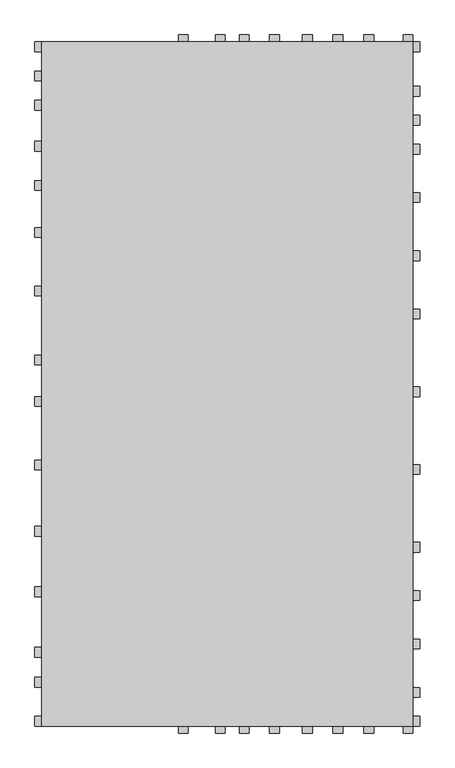
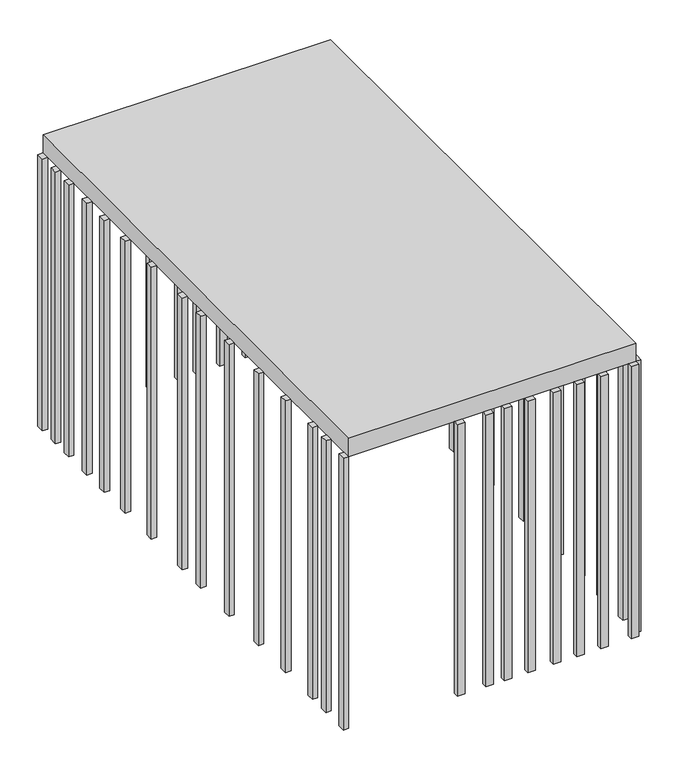
"""IFC4 building model written with IfcOpenShell, lengths in millimetres: proxy geometry."""

from ifc_helpers import new_model, si_unit, frame, origin, origin_with_axes, place, context, project, spatial, polyline, outline, extrude, source, transform, mapped, element, save


def generic_models_a09305eb(model_context):
    return source(origin(), model_context, "Body", "SweptSolid", [
        extrude(outline(polyline([(-3870.0, 0.0), (-3870.0, 100.0), (-3800.0, 100.0), (-3800.0, 0.0), (-3870.0, 0.0)])), frame((0.0, 0.0, -3800.0), z_axis=(0.0, 0.0, 1.0), x_axis=(1.0, 0.0, 0.0)), (0.0, 0.0, 1.0), 3800.0),
        extrude(outline(polyline([(-3870.0, 400.0), (-3870.0, 500.0), (-3800.0, 500.0), (-3800.0, 400.0), (-3870.0, 400.0)])), frame((0.0, 0.0, -3800.0), z_axis=(0.0, 0.0, 1.0), x_axis=(1.0, 0.0, 0.0)), (0.0, 0.0, 1.0), 3800.0),
        extrude(outline(polyline([(-3870.0, 706.7102779), (-3870.0, 806.7102779), (-3800.0, 806.7102779), (-3800.0, 706.7102779), (-3870.0, 706.7102779)])), frame((0.0, 0.0, -3800.0), z_axis=(0.0, 0.0, 1.0), x_axis=(1.0, 0.0, 0.0)), (0.0, 0.0, 1.0), 3800.0),
        extrude(outline(polyline([(-3870.0, 1323.8206399), (-3870.0, 1423.8206399), (-3800.0, 1423.8206399), (-3800.0, 1323.8206399), (-3870.0, 1323.8206399)])), frame((0.0, 0.0, -3800.0), z_axis=(0.0, 0.0, 1.0), x_axis=(1.0, 0.0, 0.0)), (0.0, 0.0, 1.0), 3800.0),
        extrude(outline(polyline([(-3870.0, 1944.2979319), (-3870.0, 2044.2979319), (-3800.0, 2044.2979319), (-3800.0, 1944.2979319), (-3870.0, 1944.2979319)])), frame((0.0, 0.0, -3800.0), z_axis=(0.0, 0.0, 1.0), x_axis=(1.0, 0.0, 0.0)), (0.0, 0.0, 1.0), 3800.0),
        extrude(outline(polyline([(-3870.0, 2621.3422955), (-3870.0, 2721.3422955), (-3800.0, 2721.3422955), (-3800.0, 2621.3422955), (-3870.0, 2621.3422955)])), frame((0.0, 0.0, -3800.0), z_axis=(0.0, 0.0, 1.0), x_axis=(1.0, 0.0, 0.0)), (0.0, 0.0, 1.0), 3800.0),
        extrude(outline(polyline([(-3870.0, 3271.2), (-3870.0, 3371.2), (-3800.0, 3371.2), (-3800.0, 3271.2), (-3870.0, 3271.2)])), frame((0.0, 0.0, -3800.0), z_axis=(0.0, 0.0, 1.0), x_axis=(1.0, 0.0, 0.0)), (0.0, 0.0, 1.0), 3800.0),
        extrude(outline(polyline([(-3870.0, 3694.9391531), (-3870.0, 3794.9391531), (-3800.0, 3794.9391531), (-3800.0, 3694.9391531), (-3870.0, 3694.9391531)])), frame((0.0, 0.0, -3800.0), z_axis=(0.0, 0.0, 1.0), x_axis=(1.0, 0.0, 0.0)), (0.0, 0.0, 1.0), 3800.0),
        extrude(outline(polyline([(-3870.0, 4400.0), (-3870.0, 4500.0), (-3800.0, 4500.0), (-3800.0, 4400.0), (-3870.0, 4400.0)])), frame((0.0, 0.0, -3800.0), z_axis=(0.0, 0.0, 1.0), x_axis=(1.0, 0.0, 0.0)), (0.0, 0.0, 1.0), 3800.0),
        extrude(outline(polyline([(-3870.0, 5000.0), (-3870.0, 5100.0), (-3800.0, 5100.0), (-3800.0, 5000.0), (-3870.0, 5000.0)])), frame((0.0, 0.0, -3800.0), z_axis=(0.0, 0.0, 1.0), x_axis=(1.0, 0.0, 0.0)), (0.0, 0.0, 1.0), 3800.0),
        extrude(outline(polyline([(-3870.0, 5480.0), (-3870.0, 5580.0), (-3800.0, 5580.0), (-3800.0, 5480.0), (-3870.0, 5480.0)])), frame((0.0, 0.0, -3800.0), z_axis=(0.0, 0.0, 1.0), x_axis=(1.0, 0.0, 0.0)), (0.0, 0.0, 1.0), 3800.0),
        extrude(outline(polyline([(-3870.0, 5880.0), (-3870.0, 5980.0), (-3800.0, 5980.0), (-3800.0, 5880.0), (-3870.0, 5880.0)])), frame((0.0, 0.0, -3800.0), z_axis=(0.0, 0.0, 1.0), x_axis=(1.0, 0.0, 0.0)), (0.0, 0.0, 1.0), 3800.0),
        extrude(outline(polyline([(-3870.0, 6300.0), (-3870.0, 6400.0), (-3800.0, 6400.0), (-3800.0, 6300.0), (-3870.0, 6300.0)])), frame((0.0, 0.0, -3800.0), z_axis=(0.0, 0.0, 1.0), x_axis=(1.0, 0.0, 0.0)), (0.0, 0.0, 1.0), 3800.0),
        extrude(outline(polyline([(-3870.0, 6600.0), (-3870.0, 6700.0), (-3800.0, 6700.0), (-3800.0, 6600.0), (-3870.0, 6600.0)])), frame((0.0, 0.0, -3800.0), z_axis=(0.0, 0.0, 1.0), x_axis=(1.0, 0.0, 0.0)), (0.0, 0.0, 1.0), 3800.0),
        extrude(outline(polyline([(-3870.0, 6900.0), (-3870.0, 7000.0), (-3800.0, 7000.0), (-3800.0, 6900.0), (-3870.0, 6900.0)])), frame((0.0, 0.0, -3800.0), z_axis=(0.0, 0.0, 1.0), x_axis=(1.0, 0.0, 0.0)), (0.0, 0.0, 1.0), 3800.0),
        extrude(outline(polyline([(-2400.0, 0.0), (-2300.0, 0.0), (-2300.0, -70.0), (-2400.0, -70.0), (-2400.0, 0.0)])), frame((0.0, 0.0, -3800.0), z_axis=(0.0, 0.0, 1.0), x_axis=(1.0, 0.0, 0.0)), (0.0, 0.0, 1.0), 3800.0),
        extrude(outline(polyline([(-2020.7203316, 0.0), (-1920.7203316, 0.0), (-1920.7203316, -70.0), (-2020.7203316, -70.0), (-2020.7203316, 0.0)])), frame((0.0, 0.0, -3800.0), z_axis=(0.0, 0.0, 1.0), x_axis=(1.0, 0.0, 0.0)), (0.0, 0.0, 1.0), 3800.0),
        extrude(outline(polyline([(-100.0, 0.0), (0.0, 0.0), (0.0, -70.0), (-100.0, -70.0), (-100.0, 0.0)])), frame((0.0, 0.0, -3800.0), z_axis=(0.0, 0.0, 1.0), x_axis=(1.0, 0.0, 0.0)), (0.0, 0.0, 1.0), 3800.0),
        extrude(outline(polyline([(-500.2767301, 0.0), (-400.2767301, 0.0), (-400.2767301, -70.0), (-500.2767301, -70.0), (-500.2767301, 0.0)])), frame((0.0, 0.0, -3800.0), z_axis=(0.0, 0.0, 1.0), x_axis=(1.0, 0.0, 0.0)), (0.0, 0.0, 1.0), 3800.0),
        extrude(outline(polyline([(-1777.1656023, 0.0), (-1677.1656023, 0.0), (-1677.1656023, -70.0), (-1777.1656023, -70.0), (-1777.1656023, 0.0)])), frame((0.0, 0.0, -3800.0), z_axis=(0.0, 0.0, 1.0), x_axis=(1.0, 0.0, 0.0)), (0.0, 0.0, 1.0), 3800.0),
        extrude(outline(polyline([(-1467.4018203, 0.0), (-1367.4018203, 0.0), (-1367.4018203, -70.0), (-1467.4018203, -70.0), (-1467.4018203, 0.0)])), frame((0.0, 0.0, -3800.0), z_axis=(0.0, 0.0, 1.0), x_axis=(1.0, 0.0, 0.0)), (0.0, 0.0, 1.0), 3800.0),
        extrude(outline(polyline([(-1129.2627301, 0.0), (-1029.2627301, 0.0), (-1029.2627301, -70.0), (-1129.2627301, -70.0), (-1129.2627301, 0.0)])), frame((0.0, 0.0, -3800.0), z_axis=(0.0, 0.0, 1.0), x_axis=(1.0, 0.0, 0.0)), (0.0, 0.0, 1.0), 3800.0),
        extrude(outline(polyline([(-818.5582557, 0.0), (-718.5582557, 0.0), (-718.5582557, -70.0), (-818.5582557, -70.0), (-818.5582557, 0.0)])), frame((0.0, 0.0, -3800.0), z_axis=(0.0, 0.0, 1.0), x_axis=(1.0, 0.0, 0.0)), (0.0, 0.0, 1.0), 3800.0),
        extrude(outline(polyline([(-2400.0, 7070.0), (-2300.0, 7070.0), (-2300.0, 7000.0), (-2400.0, 7000.0), (-2400.0, 7070.0)])), frame((0.0, 0.0, -3800.0), z_axis=(0.0, 0.0, 1.0), x_axis=(1.0, 0.0, 0.0)), (0.0, 0.0, 1.0), 3800.0),
        extrude(outline(polyline([(-2020.7203316, 7070.0), (-1920.7203316, 7070.0), (-1920.7203316, 7000.0), (-2020.7203316, 7000.0), (-2020.7203316, 7070.0)])), frame((0.0, 0.0, -3800.0), z_axis=(0.0, 0.0, 1.0), x_axis=(1.0, 0.0, 0.0)), (0.0, 0.0, 1.0), 3800.0),
        extrude(outline(polyline([(-100.0, 7070.0), (0.0, 7070.0), (0.0, 7000.0), (-100.0, 7000.0), (-100.0, 7070.0)])), frame((0.0, 0.0, -3800.0), z_axis=(0.0, 0.0, 1.0), x_axis=(1.0, 0.0, 0.0)), (0.0, 0.0, 1.0), 3800.0),
        extrude(outline(polyline([(-500.2767301, 7070.0), (-400.2767301, 7070.0), (-400.2767301, 7000.0), (-500.2767301, 7000.0), (-500.2767301, 7070.0)])), frame((0.0, 0.0, -3800.0), z_axis=(0.0, 0.0, 1.0), x_axis=(1.0, 0.0, 0.0)), (0.0, 0.0, 1.0), 3800.0),
        extrude(outline(polyline([(-1777.1656023, 7070.0), (-1677.1656023, 7070.0), (-1677.1656023, 7000.0), (-1777.1656023, 7000.0), (-1777.1656023, 7070.0)])), frame((0.0, 0.0, -3800.0), z_axis=(0.0, 0.0, 1.0), x_axis=(1.0, 0.0, 0.0)), (0.0, 0.0, 1.0), 3800.0),
        extrude(outline(polyline([(-1467.4018203, 7070.0), (-1367.4018203, 7070.0), (-1367.4018203, 7000.0), (-1467.4018203, 7000.0), (-1467.4018203, 7070.0)])), frame((0.0, 0.0, -3800.0), z_axis=(0.0, 0.0, 1.0), x_axis=(1.0, 0.0, 0.0)), (0.0, 0.0, 1.0), 3800.0),
        extrude(outline(polyline([(-1129.2627301, 7070.0), (-1029.2627301, 7070.0), (-1029.2627301, 7000.0), (-1129.2627301, 7000.0), (-1129.2627301, 7070.0)])), frame((0.0, 0.0, -3800.0), z_axis=(0.0, 0.0, 1.0), x_axis=(1.0, 0.0, 0.0)), (0.0, 0.0, 1.0), 3800.0),
        extrude(outline(polyline([(-818.5582557, 7070.0), (-718.5582557, 7070.0), (-718.5582557, 7000.0), (-818.5582557, 7000.0), (-818.5582557, 7070.0)])), frame((0.0, 0.0, -3800.0), z_axis=(0.0, 0.0, 1.0), x_axis=(1.0, 0.0, 0.0)), (0.0, 0.0, 1.0), 3800.0),
        extrude(outline(polyline([(70.0, 7000.0), (70.0, 6900.0), (0.0, 6900.0), (0.0, 7000.0), (70.0, 7000.0)])), frame((0.0, 0.0, -3800.0), z_axis=(0.0, 0.0, 1.0), x_axis=(1.0, 0.0, 0.0)), (0.0, 0.0, 1.0), 3800.0),
        extrude(outline(polyline([(70.0, 6542.4), (70.0, 6442.4), (0.0, 6442.4), (0.0, 6542.4), (70.0, 6542.4)])), frame((0.0, 0.0, -3800.0), z_axis=(0.0, 0.0, 1.0), x_axis=(1.0, 0.0, 0.0)), (0.0, 0.0, 1.0), 3800.0),
        extrude(outline(polyline([(70.0, 6247.2), (70.0, 6147.2), (0.0, 6147.2), (0.0, 6247.2), (70.0, 6247.2)])), frame((0.0, 0.0, -3800.0), z_axis=(0.0, 0.0, 1.0), x_axis=(1.0, 0.0, 0.0)), (0.0, 0.0, 1.0), 3800.0),
        extrude(outline(polyline([(70.0, 5952.0), (70.0, 5852.0), (0.0, 5852.0), (0.0, 5952.0), (70.0, 5952.0)])), frame((0.0, 0.0, -3800.0), z_axis=(0.0, 0.0, 1.0), x_axis=(1.0, 0.0, 0.0)), (0.0, 0.0, 1.0), 3800.0),
        extrude(outline(polyline([(70.0, 5456.8), (70.0, 5356.8), (0.0, 5356.8), (0.0, 5456.8), (70.0, 5456.8)])), frame((0.0, 0.0, -3800.0), z_axis=(0.0, 0.0, 1.0), x_axis=(1.0, 0.0, 0.0)), (0.0, 0.0, 1.0), 3800.0),
        extrude(outline(polyline([(70.0, 4861.6), (70.0, 4761.6), (0.0, 4761.6), (0.0, 4861.6), (70.0, 4861.6)])), frame((0.0, 0.0, -3800.0), z_axis=(0.0, 0.0, 1.0), x_axis=(1.0, 0.0, 0.0)), (0.0, 0.0, 1.0), 3800.0),
        extrude(outline(polyline([(70.0, 4266.4), (70.0, 4166.4), (0.0, 4166.4), (0.0, 4266.4), (70.0, 4266.4)])), frame((0.0, 0.0, -3800.0), z_axis=(0.0, 0.0, 1.0), x_axis=(1.0, 0.0, 0.0)), (0.0, 0.0, 1.0), 3800.0),
        extrude(outline(polyline([(70.0, 3471.2), (70.0, 3371.2), (0.0, 3371.2), (0.0, 3471.2), (70.0, 3471.2)])), frame((0.0, 0.0, -3800.0), z_axis=(0.0, 0.0, 1.0), x_axis=(1.0, 0.0, 0.0)), (0.0, 0.0, 1.0), 3800.0),
        extrude(outline(polyline([(70.0, 2676.0), (70.0, 2576.0), (0.0, 2576.0), (0.0, 2676.0), (70.0, 2676.0)])), frame((0.0, 0.0, -3800.0), z_axis=(0.0, 0.0, 1.0), x_axis=(1.0, 0.0, 0.0)), (0.0, 0.0, 1.0), 3800.0),
        extrude(outline(polyline([(70.0, 1880.8), (70.0, 1780.8), (0.0, 1780.8), (0.0, 1880.8), (70.0, 1880.8)])), frame((0.0, 0.0, -3800.0), z_axis=(0.0, 0.0, 1.0), x_axis=(1.0, 0.0, 0.0)), (0.0, 0.0, 1.0), 3800.0),
        extrude(outline(polyline([(70.0, 1385.6), (70.0, 1285.6), (0.0, 1285.6), (0.0, 1385.6), (70.0, 1385.6)])), frame((0.0, 0.0, -3800.0), z_axis=(0.0, 0.0, 1.0), x_axis=(1.0, 0.0, 0.0)), (0.0, 0.0, 1.0), 3800.0),
        extrude(outline(polyline([(70.0, 890.4), (70.0, 790.4), (0.0, 790.4), (0.0, 890.4), (70.0, 890.4)])), frame((0.0, 0.0, -3800.0), z_axis=(0.0, 0.0, 1.0), x_axis=(1.0, 0.0, 0.0)), (0.0, 0.0, 1.0), 3800.0),
        extrude(outline(polyline([(70.0, 395.2), (70.0, 295.2), (0.0, 295.2), (0.0, 395.2), (70.0, 395.2)])), frame((0.0, 0.0, -3800.0), z_axis=(0.0, 0.0, 1.0), x_axis=(1.0, 0.0, 0.0)), (0.0, 0.0, 1.0), 3800.0),
        extrude(outline(polyline([(70.0, 100.0), (70.0, 0.0), (0.0, 0.0), (0.0, 100.0), (70.0, 100.0)])), frame((0.0, 0.0, -3800.0), z_axis=(0.0, 0.0, 1.0), x_axis=(1.0, 0.0, 0.0)), (0.0, 0.0, 1.0), 3800.0),
        extrude(outline(polyline([(-3800.0, 7000.0), (0.0, 7000.0), (0.0, 0.0), (-3800.0, 0.0), (-3800.0, 7000.0)])), origin_with_axes(), (0.0, 0.0, 1.0), 253.3333333),
    ])


if __name__ == "__main__":
    model = new_model("IFC4")
    model_context = context("Model", 3, world=origin())
    ifc_project = project(units=[si_unit("LENGTHUNIT", "METRE", prefix="MILLI")], contexts=[model_context])
    site = spatial("IfcSite", under=ifc_project)
    building = spatial("IfcBuilding", under=site)
    placement = place(None, origin())
    generic_models_shape = generic_models_a09305eb(model_context)
    element("IfcBuildingElementProxy", 1, Name="Generic Models", at=placement, inside=building, context=model_context, shape_type="MappedRepresentation", body=[
        mapped(generic_models_shape, transform((0.0, 0.0, 0.0), x_axis=(1.0, 0.0, 0.0), y_axis=(0.0, 1.0, 0.0), z_axis=(0.0, 0.0, 1.0))),
    ])
    save(model, "model.ifc")
